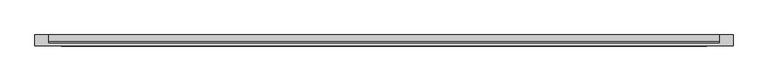
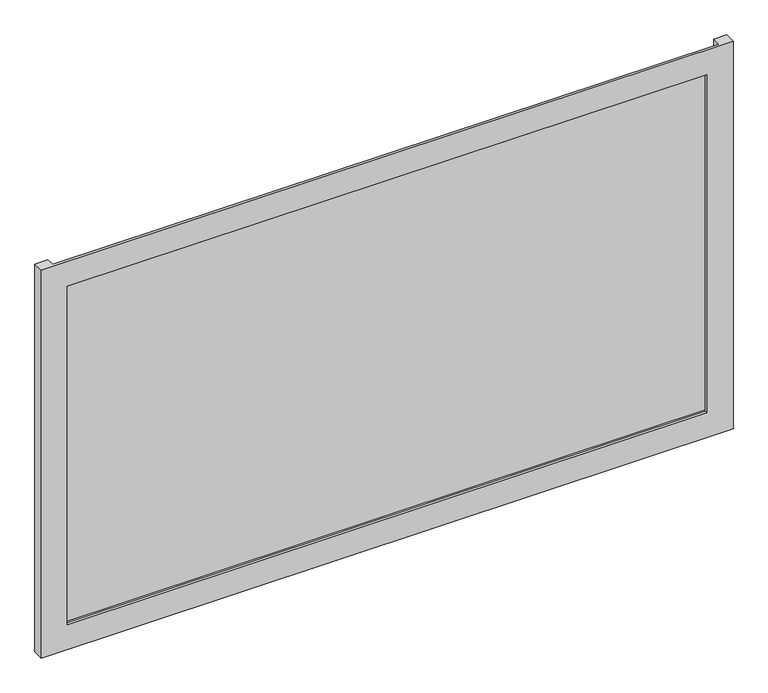
"""IFC4 building model written with IfcOpenShell, lengths in millimetres: plate geometry."""

from ifc_helpers import new_model, si_unit, origin, origin_with_axes, place, context, project, spatial, polyline, outline, extrude, faceted_brep, source, transform, mapped, element, save


def plate_471b01ff(model_context):
    return source(origin(), model_context, "Body", "SolidModel", [
        faceted_brep([(662.5, -50.8, -50.0), (662.5, -71.8, -50.0), (-662.5, -71.8, -50.0), (-662.5, -50.8, -50.0), (-637.5, -50.8, -50.0), (-637.5, -66.8, -50.0), (637.5, -66.8, -50.0), (637.5, -50.8, -50.0), (612.5, -71.8, 0.0), (612.5, -66.8, 0.0), (-612.5, -66.8, 0.0), (-612.5, -71.8, 0.0), (662.5, -71.8, 735.0), (-662.5, -71.8, 735.0), (-612.5, -71.8, 685.0), (612.5, -71.8, 685.0), (-637.5, -66.8, 735.0), (637.5, -66.8, 735.0), (612.5, -66.8, 685.0), (-612.5, -66.8, 685.0), (662.5, -50.8, 735.0), (637.5, -50.8, 735.0), (-637.5, -50.8, 735.0), (-662.5, -50.8, 735.0)], [[[0, 1, 2, 3, 4, 5, 6, 7]], [[8, 9, 10, 11]], [[12, 13, 2, 1], [11, 14, 15, 8]], [[16, 17, 6, 5], [9, 18, 19, 10]], [[20, 21, 17, 16, 22, 23, 13, 12]], [[20, 0, 7, 21]], [[21, 7, 6, 17]], [[8, 15, 18, 9]], [[12, 1, 0, 20]], [[22, 4, 3, 23]], [[16, 5, 4, 22]], [[10, 19, 14, 11]], [[23, 3, 2, 13]], [[18, 15, 14, 19]]]),
        extrude(outline(polyline([(637.5, -50.8), (637.5, -63.2), (-637.5, -63.2), (-637.5, -50.8), (637.5, -50.8)])), origin_with_axes(), (0.0, 0.0, 1.0), 685.0),
    ])


if __name__ == "__main__":
    model = new_model("IFC4")
    model_context = context("Model", 3, world=origin())
    ifc_project = project(units=[si_unit("LENGTHUNIT", "METRE", prefix="MILLI")], contexts=[model_context])
    site = spatial("IfcSite", under=ifc_project)
    building = spatial("IfcBuilding", under=site)
    placement = place(None, origin())
    plate_shape = plate_471b01ff(model_context)
    element("IfcPlate", 1, at=placement, inside=building, context=model_context, shape_type="MappedRepresentation", body=[
        mapped(plate_shape, transform((0.0, 0.0, 0.0), x_axis=(1.0, 0.0, 0.0), y_axis=(0.0, 1.0, 0.0), z_axis=(0.0, 0.0, 1.0))),
    ])
    save(model, "model.ifc")
